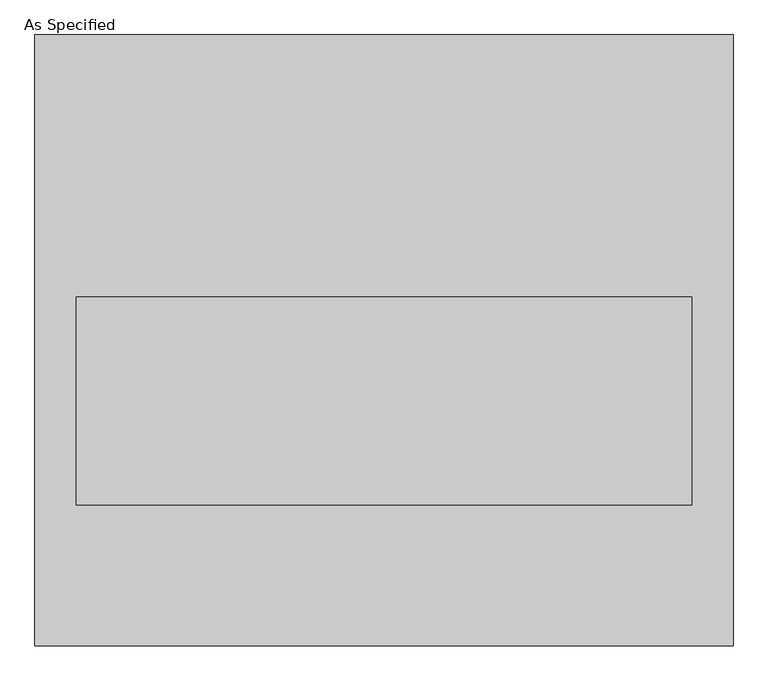
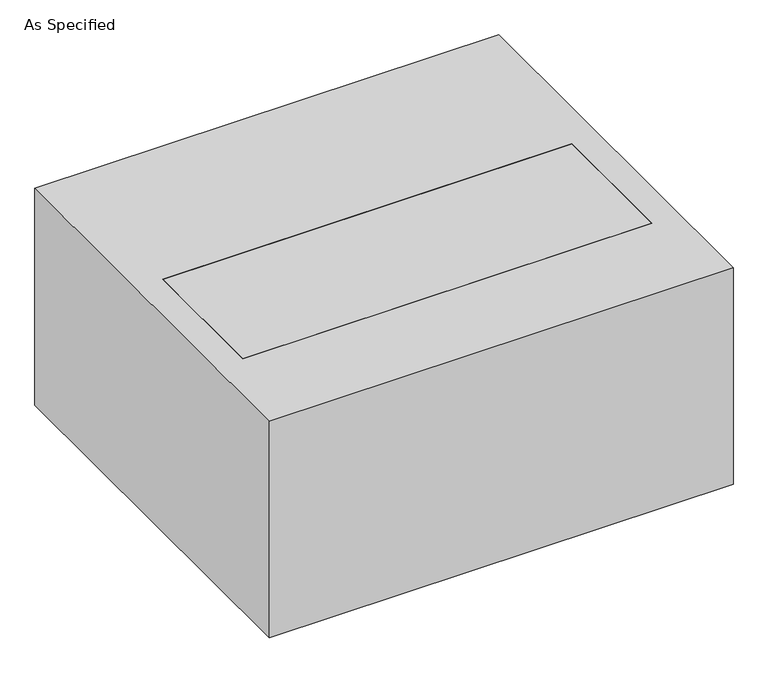
"""IFC4 building model written with IfcOpenShell, lengths in millimetres: proxy geometry, As Specified."""

from ifc_helpers import new_model, si_unit, frame, origin, place, context, project, spatial, polyline, outline, extrude, source, transform, mapped, element, save


def as_specified_91497512(model_context):
    return source(origin(), model_context, "Body", "SweptSolid", [
        extrude(outline(polyline([(511.175, 447.675), (511.175, -447.675), (-511.175, -447.675), (-511.175, 447.675), (511.175, 447.675)]), holes=[polyline([(450.85, 63.5), (-450.85, 63.5), (-450.85, -241.3), (450.85, -241.3), (450.85, 63.5)])]), frame((0.0, 0.0, -530.225), z_axis=(0.0, 0.0, 1.0), x_axis=(1.0, 0.0, 0.0)), (0.0, 0.0, 1.0), 504.825),
        extrude(outline(polyline([(450.85, 63.5), (450.85, -241.3), (-450.85, -241.3), (-450.85, 63.5), (450.85, 63.5)])), frame((0.0, 0.0, -530.225), z_axis=(0.0, 0.0, 1.0), x_axis=(1.0, 0.0, 0.0)), (0.0, 0.0, 1.0), 504.825),
    ])


if __name__ == "__main__":
    model = new_model("IFC4")
    model_context = context("Model", 3, world=origin())
    ifc_project = project(units=[si_unit("LENGTHUNIT", "METRE", prefix="MILLI")], contexts=[model_context])
    site = spatial("IfcSite", under=ifc_project)
    building = spatial("IfcBuilding", under=site)
    placement = place(None, origin())
    as_specified_shape = as_specified_91497512(model_context)
    element("IfcBuildingElementProxy", 1, Name="As Specified", ObjectType="As Specified", at=placement, inside=building, context=model_context, shape_type="MappedRepresentation", body=[
        mapped(as_specified_shape, transform((0.0, 0.0, 0.0), x_axis=(1.0, 0.0, 0.0), y_axis=(0.0, 1.0, 0.0), z_axis=(0.0, 0.0, 1.0))),
    ])
    save(model, "model.ifc")
